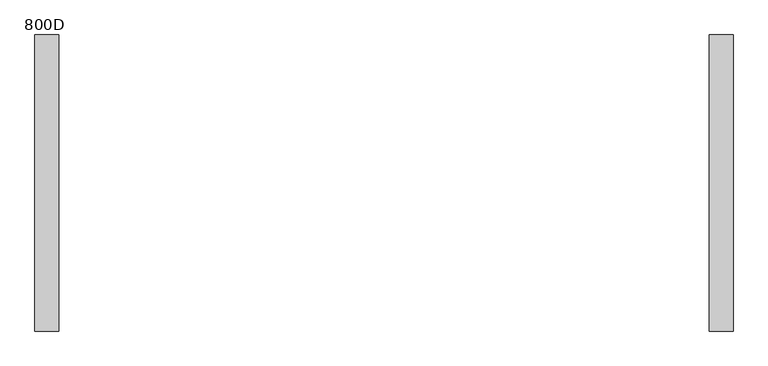
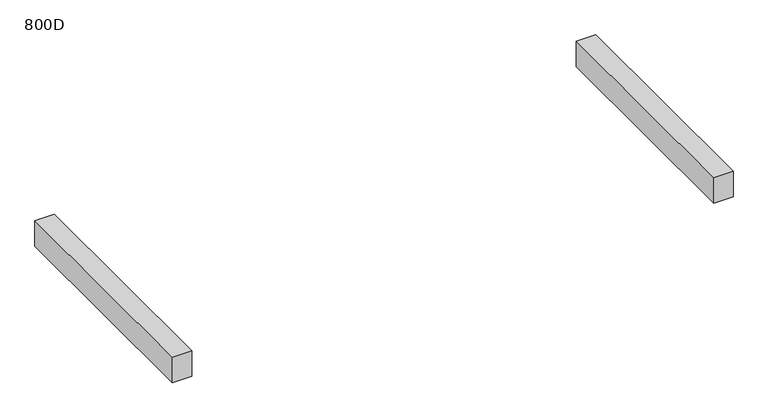
"""IFC4 building model written with IfcOpenShell, lengths in millimetres: furniture geometry, 800D."""

from ifc_helpers import new_model, si_unit, frame, origin, place, context, project, spatial, polyline, outline, extrude, source, transform, mapped, element, save


def furniture_800d_9ccc0da8(model_context):
    return source(origin(), model_context, "Body", "SweptSolid", [
        extrude(outline(polyline([(-809.9999968, 369.0), (-809.9999968, -369.0), (-870.0, -369.0), (-870.0, 369.0), (-809.9999968, 369.0)])), frame((0.0, 0.0, 435.0), z_axis=(0.0, 0.0, 1.0), x_axis=(1.0, 0.0, 0.0)), (0.0, 0.0, 1.0), 84.0),
        extrude(outline(polyline([(870.0, 369.0), (870.0, -369.0), (809.9999968, -369.0), (809.9999968, 369.0), (870.0, 369.0)])), frame((0.0, 0.0, 435.0), z_axis=(0.0, 0.0, 1.0), x_axis=(1.0, 0.0, 0.0)), (0.0, 0.0, 1.0), 84.0),
    ])


if __name__ == "__main__":
    model = new_model("IFC4")
    model_context = context("Model", 3, world=origin())
    ifc_project = project(units=[si_unit("LENGTHUNIT", "METRE", prefix="MILLI")], contexts=[model_context])
    site = spatial("IfcSite", under=ifc_project)
    building = spatial("IfcBuilding", under=site)
    placement = place(None, origin())
    furniture_800d_shape = furniture_800d_9ccc0da8(model_context)
    element("IfcFurniture", 1, ObjectType="800D", at=placement, inside=building, context=model_context, shape_type="MappedRepresentation", body=[
        mapped(furniture_800d_shape, transform((0.0, 0.0, 0.0), x_axis=(1.0, 0.0, 0.0), y_axis=(0.0, 1.0, 0.0), z_axis=(0.0, 0.0, 1.0))),
    ])
    save(model, "model.ifc")
